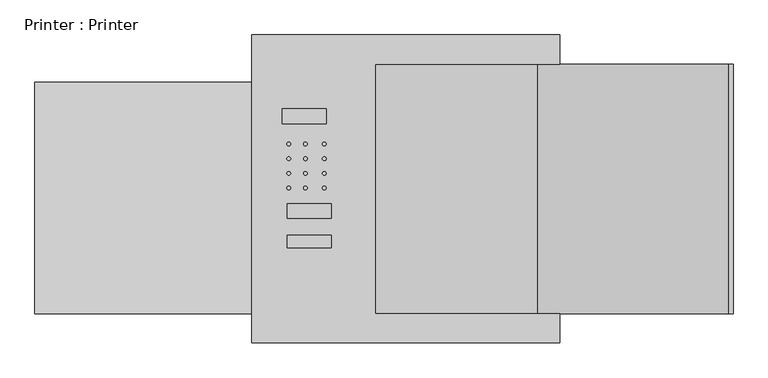
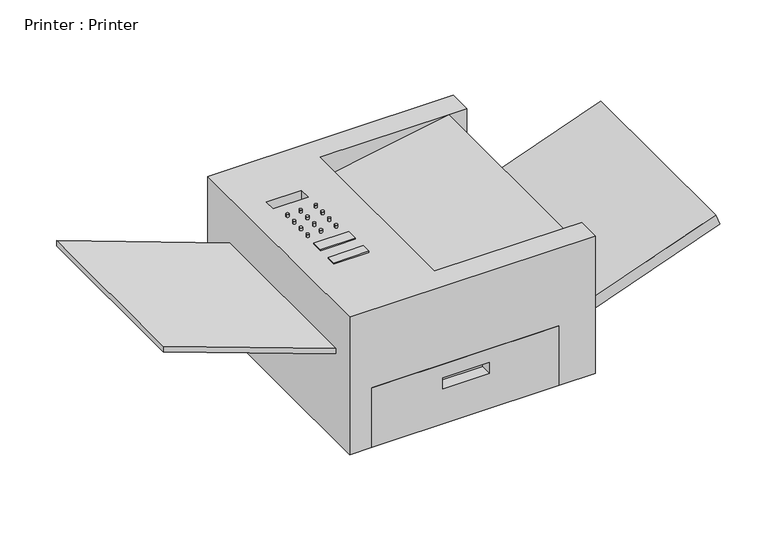
"""IFC4 building model written with IfcOpenShell, lengths in millimetres: electric appliance geometry, Printer : Printer."""

import ifcopenshell
import ifcopenshell.guid

model = None  # the IFC model being written
_history = None  # IfcOwnerHistory: only IFC2X3 demands one
_inside = {}  # id of a spatial element -> (the spatial element, [elements in it])
_under = {}  # id of a project, library or spatial element -> (it, [spatial elements below it])
_declared = {}  # id of a project -> (the project, [libraries it declares])
_typed = {}  # id of a type object -> (the type object, [elements of that type])
_made_of = {}  # id of a material, layer set ... -> (it, [elements and type objects made of it])


def new_model(schema):
    """Start an empty IFC model of exactly this schema.

    Asked for "IFC4X3", IfcOpenShell would pick the latest addendum, in which some entities
    have other attributes; the version numbers below select the first issue.
    IFC2X3 requires an IfcOwnerHistory on every rooted entity: one is made here for all.
    """
    global model, _history
    if schema == "IFC4X3":
        model = ifcopenshell.file(schema_version=(4, 3, 0, 0))
    else:
        model = ifcopenshell.file(schema=schema)
    _inside.clear()
    _under.clear()
    _declared.clear()
    _typed.clear()
    _made_of.clear()
    _history = None
    if model.schema == "IFC2X3":
        org = make("IfcOrganization", Name="unknown")
        user = make(
            "IfcPersonAndOrganization",
            ThePerson=make("IfcPerson", FamilyName="unknown"),
            TheOrganization=org,
        )
        app = make(
            "IfcApplication",
            ApplicationDeveloper=org,
            Version="unknown",
            ApplicationFullName="unknown",
            ApplicationIdentifier="unknown",
        )
        _history = make(
            "IfcOwnerHistory",
            OwningUser=user,
            OwningApplication=app,
            ChangeAction="ADDED",
            CreationDate=0,
        )
    return model


def make(cls, **values):
    """One entity of the class cls with the attributes given. An attribute that is None is left unset."""
    return model.create_entity(
        cls, **{name: value for name, value in values.items() if value is not None}
    )


def rooted(cls, **values):
    """An entity with a GlobalId (a new one), such as an element, a storey or a relation."""
    return make(cls, GlobalId=ifcopenshell.guid.new(), OwnerHistory=_history, **values)


def si_unit(unit_type, name, prefix=None):
    """IfcSIUnit, for example si_unit("LENGTHUNIT", "METRE", prefix="MILLI")."""
    return make("IfcSIUnit", UnitType=unit_type, Prefix=prefix, Name=name)


def assignment(units):
    """IfcUnitAssignment: the units of a project."""
    return None if units is None else make("IfcUnitAssignment", Units=units)


def point(xyz):
    """IfcCartesianPoint."""
    return None if xyz is None else make("IfcCartesianPoint", Coordinates=xyz)


def direction(xyz):
    """IfcDirection."""
    return None if xyz is None else make("IfcDirection", DirectionRatios=xyz)


def frame(location, z_axis=None, x_axis=None):
    """IfcAxis2Placement3D, a coordinate frame: its origin and axes. An axis left out is left unset."""
    return make(
        "IfcAxis2Placement3D",
        Location=point(location),
        Axis=direction(z_axis),
        RefDirection=direction(x_axis),
    )


def frame_2d(location, x_axis=None):
    """IfcAxis2Placement2D, a coordinate frame in the plane: its origin and x axis."""
    return make(
        "IfcAxis2Placement2D", Location=point(location), RefDirection=direction(x_axis)
    )


def origin():
    """The frame at (0, 0, 0) with its axes left unset."""
    return frame((0.0, 0.0, 0.0))


def place(relative_to, where):
    """IfcLocalPlacement: puts the frame where relative to a parent placement (None: the world)."""
    return make(
        "IfcLocalPlacement", PlacementRelTo=relative_to, RelativePlacement=where
    )


def context(
    kind, dimensions, precision=None, world=None, true_north=None, identifier=None
):
    """IfcGeometricRepresentationContext, for example the 3D "Model" context."""
    return make(
        "IfcGeometricRepresentationContext",
        ContextIdentifier=identifier,
        ContextType=kind,
        CoordinateSpaceDimension=dimensions,
        Precision=precision,
        WorldCoordinateSystem=world,
        TrueNorth=true_north,
    )


def project(units=None, contexts=None):
    """IfcProject with its units and contexts."""
    return rooted(
        "IfcProject",
        Name="project",
        RepresentationContexts=contexts,
        UnitsInContext=assignment(units),
    )


def spatial(cls, under=None, at=None, **own):
    """A site, building, storey or space (cls), placed at a placement, below another one or the project."""
    s = rooted(cls, ObjectPlacement=at, **own)
    if under is not None:
        _under.setdefault(under.id(), (under, []))[1].append(s)
    return s


def polyline(points):
    """IfcPolyline through the points."""
    return make("IfcPolyline", Points=[point(p) for p in points])


def circle_curve(where, radius):
    """IfcCircle in the frame where."""
    return make("IfcCircle", Position=where, Radius=radius)


def trimmed(basis, trim1, trim2, sense, master):
    """IfcTrimmedCurve: the piece of a basis curve between two trims."""
    return make(
        "IfcTrimmedCurve",
        BasisCurve=basis,
        Trim1=trim1,
        Trim2=trim2,
        SenseAgreement=sense,
        MasterRepresentation=master,
    )


def segment(curve, same_sense, transition):
    """IfcCompositeCurveSegment."""
    return make(
        "IfcCompositeCurveSegment",
        Transition=transition,
        SameSense=same_sense,
        ParentCurve=curve,
    )


def composite_curve(segments, self_intersect=None):
    """IfcCompositeCurve: segments joined end to end."""
    return make("IfcCompositeCurve", Segments=segments, SelfIntersect=self_intersect)


def outline(outer, holes=None, kind="AREA"):
    """IfcArbitraryClosedProfileDef: a profile drawn as a closed curve; with holes, ...WithVoids."""
    if holes is None:
        return make("IfcArbitraryClosedProfileDef", ProfileType=kind, OuterCurve=outer)
    return make(
        "IfcArbitraryProfileDefWithVoids",
        ProfileType=kind,
        OuterCurve=outer,
        InnerCurves=holes,
    )


def extrude(swept, where, along, depth):
    """IfcExtrudedAreaSolid: the profile swept, set in the frame where, extruded along a direction by depth."""
    return make(
        "IfcExtrudedAreaSolid",
        SweptArea=swept,
        Position=where,
        ExtrudedDirection=direction(along),
        Depth=depth,
    )


def faces_of(points, faces, orient=None, outer=None):
    """IfcFace entities. A face is a list of loops; a loop is a list of indices into points, from 0.

    orient and outer hold one flag for each loop. By default every Orientation is true, the
    first loop of a face is its IfcFaceOuterBound and the others are IfcFaceBound.
    """
    made = []
    for i, loops in enumerate(faces):
        bounds = []
        for j, loop in enumerate(loops):
            is_outer = j == 0 if outer is None else outer[i][j]
            bounds.append(
                make(
                    "IfcFaceOuterBound" if is_outer else "IfcFaceBound",
                    Bound=make("IfcPolyLoop", Polygon=[points[k] for k in loop]),
                    Orientation=True if orient is None else orient[i][j],
                )
            )
        made.append(make("IfcFace", Bounds=bounds))
    return made


def faceted_brep(points, faces, orient=None, outer=None, voids=None):
    """IfcFacetedBrep: a solid bounded by flat faces; with voids (closed shells), ...WithVoids."""
    shared = [point(p) for p in points]
    hull = make("IfcClosedShell", CfsFaces=faces_of(shared, faces, orient, outer))
    if voids is None:
        return make("IfcFacetedBrep", Outer=hull)
    return make(
        "IfcFacetedBrepWithVoids",
        Outer=hull,
        Voids=[
            make(cls, CfsFaces=faces_of(shared, fs, o, b)) for cls, fs, o, b in voids
        ],
    )


def shape(context_of_items, identifier, shape_type, items):
    """IfcShapeRepresentation: the items that make up one representation, for example the "Body"."""
    return make(
        "IfcShapeRepresentation",
        ContextOfItems=context_of_items,
        RepresentationIdentifier=identifier,
        RepresentationType=shape_type,
        Items=items,
    )


def source(mapping_origin, context_of_items, identifier, shape_type, items):
    """IfcRepresentationMap: a shape defined once, which mapped items show again and again."""
    return make(
        "IfcRepresentationMap",
        MappingOrigin=mapping_origin,
        MappedRepresentation=shape(context_of_items, identifier, shape_type, items),
    )


def transform(
    local_origin,
    x_axis=None,
    y_axis=None,
    z_axis=None,
    scale=None,
    scale2=None,
    scale3=None,
    uniform=True,
):
    """IfcCartesianTransformationOperator3D, or its non-uniform kind. x_axis, y_axis, z_axis: its Axis1, 2, 3."""
    if uniform:
        return make(
            "IfcCartesianTransformationOperator3D",
            Axis1=direction(x_axis),
            Axis2=direction(y_axis),
            LocalOrigin=point(local_origin),
            Scale=scale,
            Axis3=direction(z_axis),
        )
    return make(
        "IfcCartesianTransformationOperator3DnonUniform",
        Axis1=direction(x_axis),
        Axis2=direction(y_axis),
        LocalOrigin=point(local_origin),
        Scale=scale,
        Axis3=direction(z_axis),
        Scale2=scale2,
        Scale3=scale3,
    )


def mapped(mapping_source, mapping_target):
    """IfcMappedItem: shows the shape of a source again, moved by a transform."""
    return make(
        "IfcMappedItem", MappingSource=mapping_source, MappingTarget=mapping_target
    )


def made_of(thing, what):
    """Note that an element or type object is made of a material, layer set ...; save() writes the relation."""
    if what is not None:
        _made_of.setdefault(what.id(), (what, []))[1].append(thing)
    return thing


def element(
    cls,
    number,
    at=None,
    inside=None,
    cuts=None,
    type_object=None,
    material=None,
    context=None,
    identifier="Body",
    shape_type=None,
    held_by="IfcProductDefinitionShape",
    body=None,
    shapes=None,
    **own,
):
    """One element of the class cls, such as IfcWall. Its Tag is "e" and its number.

    at: its placement. inside: the storey or other place that contains it. cuts: it is an
    opening in that element (IfcRelVoidsElement). A single representation is given by context,
    identifier, shape_type and body (its items); several are given by shapes. held_by: the class
    of the entity that holds the representations. save() writes the other relations.
    """
    e = rooted(cls, Tag="e%d" % number, ObjectPlacement=at, **own)
    if body is not None:
        shapes = [shape(context, identifier, shape_type, body)]
    if shapes is not None:
        e.Representation = make(held_by, Representations=shapes)
    if inside is not None:
        _inside.setdefault(inside.id(), (inside, []))[1].append(e)
    if cuts is not None:
        rooted(
            "IfcRelVoidsElement", RelatingBuildingElement=cuts, RelatedOpeningElement=e
        )
    if type_object is not None:
        _typed.setdefault(type_object.id(), (type_object, []))[1].append(e)
    return made_of(e, material)


def aggregate(whole, parts):
    """IfcRelAggregates: a whole, such as a stair, and the parts it consists of."""
    return rooted("IfcRelAggregates", RelatingObject=whole, RelatedObjects=parts)


def save(model, path):
    """Write the relations noted so far, then the file.

    IfcRelAggregates (storeys below a building ...), IfcRelContainedInSpatialStructure (elements
    in a storey), IfcRelDefinesByType, IfcRelAssociatesMaterial and IfcRelDeclares: one each for
    every whole, place, type object, material and project.
    """
    for whole, parts in _under.values():
        aggregate(whole, parts)
    for where, things in _inside.values():
        rooted(
            "IfcRelContainedInSpatialStructure",
            RelatedElements=things,
            RelatingStructure=where,
        )
    for kind, things in _typed.values():
        rooted("IfcRelDefinesByType", RelatedObjects=things, RelatingType=kind)
    for what, things in _made_of.values():
        rooted("IfcRelAssociatesMaterial", RelatedObjects=things, RelatingMaterial=what)
    for by, libraries in _declared.values():
        rooted("IfcRelDeclares", RelatingContext=by, RelatedDefinitions=libraries)
    model.write(path)


def printer_printer_bf935110(model_context):
    return source(origin(), model_context, "Body", "SolidModel", [
        extrude(outline(polyline([(-131.7681273, -1.399751), (-131.7681273, -26.1310532), (-207.9681273, -26.1310532), (-207.9681273, -1.399751), (-131.7681273, -1.399751)])), frame((0.0, 0.0, 316.7670645), z_axis=(0.0, 0.0, 1.0), x_axis=(1.0, 0.0, 0.0)), (0.0, 0.0, 1.0), 3.175),
        extrude(outline(polyline([(-131.7681273, -55.8798743), (-131.7681273, -76.9310532), (-207.9681273, -76.9310532), (-207.9681273, -55.8798743), (-131.7681273, -55.8798743)])), frame((0.0, 0.0, 316.7670645), z_axis=(0.0, 0.0, 1.0), x_axis=(1.0, 0.0, 0.0)), (0.0, 0.0, 1.0), 3.175),
        extrude(outline(composite_curve([segment(trimmed(circle_curve(frame_2d((-143.5160855, 26.0740849)), 3.175), [point((-140.3410855, 26.0740849))], [point((-146.6910855, 26.0740849))], False, "CARTESIAN"), True, "CONTINUOUS"), segment(trimmed(circle_curve(frame_2d((-143.5160855, 26.0740849)), 3.175), [point((-146.6910855, 26.0740849))], [point((-140.3410855, 26.0740849))], False, "CARTESIAN"), True, "CONTINUOUS")], self_intersect=False)), frame((0.0, 0.0, 316.7670645), z_axis=(0.0, 0.0, 1.0), x_axis=(1.0, 0.0, 0.0)), (0.0, 0.0, 1.0), 6.35),
        extrude(outline(composite_curve([segment(trimmed(circle_curve(frame_2d((-176.2876259, 26.0740849)), 3.175), [point((-173.1126259, 26.0740849))], [point((-179.4626259, 26.0740849))], False, "CARTESIAN"), True, "CONTINUOUS"), segment(trimmed(circle_curve(frame_2d((-176.2876259, 26.0740849)), 3.175), [point((-179.4626259, 26.0740849))], [point((-173.1126259, 26.0740849))], False, "CARTESIAN"), True, "CONTINUOUS")], self_intersect=False)), frame((0.0, 0.0, 316.7670645), z_axis=(0.0, 0.0, 1.0), x_axis=(1.0, 0.0, 0.0)), (0.0, 0.0, 1.0), 6.35),
        extrude(outline(composite_curve([segment(trimmed(circle_curve(frame_2d((-205.0587743, 26.0740849)), 3.175), [point((-201.8837743, 26.0740849))], [point((-208.2337743, 26.0740849))], False, "CARTESIAN"), True, "CONTINUOUS"), segment(trimmed(circle_curve(frame_2d((-205.0587743, 26.0740849)), 3.175), [point((-208.2337743, 26.0740849))], [point((-201.8837743, 26.0740849))], False, "CARTESIAN"), True, "CONTINUOUS")], self_intersect=False)), frame((0.0, 0.0, 316.7670645), z_axis=(0.0, 0.0, 1.0), x_axis=(1.0, 0.0, 0.0)), (0.0, 0.0, 1.0), 6.35),
        extrude(outline(composite_curve([segment(trimmed(circle_curve(frame_2d((-143.5160855, 51.4740849)), 3.175), [point((-140.3410855, 51.4740849))], [point((-146.6910855, 51.4740849))], False, "CARTESIAN"), True, "CONTINUOUS"), segment(trimmed(circle_curve(frame_2d((-143.5160855, 51.4740849)), 3.175), [point((-146.6910855, 51.4740849))], [point((-140.3410855, 51.4740849))], False, "CARTESIAN"), True, "CONTINUOUS")], self_intersect=False)), frame((0.0, 0.0, 316.7670645), z_axis=(0.0, 0.0, 1.0), x_axis=(1.0, 0.0, 0.0)), (0.0, 0.0, 1.0), 6.35),
        extrude(outline(composite_curve([segment(trimmed(circle_curve(frame_2d((-176.2876259, 51.4740849)), 3.175), [point((-173.1126259, 51.4740849))], [point((-179.4626259, 51.4740849))], False, "CARTESIAN"), True, "CONTINUOUS"), segment(trimmed(circle_curve(frame_2d((-176.2876259, 51.4740849)), 3.175), [point((-179.4626259, 51.4740849))], [point((-173.1126259, 51.4740849))], False, "CARTESIAN"), True, "CONTINUOUS")], self_intersect=False)), frame((0.0, 0.0, 316.7670645), z_axis=(0.0, 0.0, 1.0), x_axis=(1.0, 0.0, 0.0)), (0.0, 0.0, 1.0), 6.35),
        extrude(outline(composite_curve([segment(trimmed(circle_curve(frame_2d((-205.0587743, 51.4740849)), 3.175), [point((-201.8837743, 51.4740849))], [point((-208.2337743, 51.4740849))], False, "CARTESIAN"), True, "CONTINUOUS"), segment(trimmed(circle_curve(frame_2d((-205.0587743, 51.4740849)), 3.175), [point((-208.2337743, 51.4740849))], [point((-201.8837743, 51.4740849))], False, "CARTESIAN"), True, "CONTINUOUS")], self_intersect=False)), frame((0.0, 0.0, 316.7670645), z_axis=(0.0, 0.0, 1.0), x_axis=(1.0, 0.0, 0.0)), (0.0, 0.0, 1.0), 6.35),
        extrude(outline(composite_curve([segment(trimmed(circle_curve(frame_2d((-143.5160855, 76.8740849)), 3.175), [point((-140.3410855, 76.8740849))], [point((-146.6910855, 76.8740849))], False, "CARTESIAN"), True, "CONTINUOUS"), segment(trimmed(circle_curve(frame_2d((-143.5160855, 76.8740849)), 3.175), [point((-146.6910855, 76.8740849))], [point((-140.3410855, 76.8740849))], False, "CARTESIAN"), True, "CONTINUOUS")], self_intersect=False)), frame((0.0, 0.0, 316.7670645), z_axis=(0.0, 0.0, 1.0), x_axis=(1.0, 0.0, 0.0)), (0.0, 0.0, 1.0), 6.35),
        extrude(outline(composite_curve([segment(trimmed(circle_curve(frame_2d((-176.2876259, 76.8740849)), 3.175), [point((-173.1126259, 76.8740849))], [point((-179.4626259, 76.8740849))], False, "CARTESIAN"), True, "CONTINUOUS"), segment(trimmed(circle_curve(frame_2d((-176.2876259, 76.8740849)), 3.175), [point((-179.4626259, 76.8740849))], [point((-173.1126259, 76.8740849))], False, "CARTESIAN"), True, "CONTINUOUS")], self_intersect=False)), frame((0.0, 0.0, 316.7670645), z_axis=(0.0, 0.0, 1.0), x_axis=(1.0, 0.0, 0.0)), (0.0, 0.0, 1.0), 6.35),
        extrude(outline(composite_curve([segment(trimmed(circle_curve(frame_2d((-205.0587743, 76.8740849)), 3.175), [point((-201.8837743, 76.8740849))], [point((-208.2337743, 76.8740849))], False, "CARTESIAN"), True, "CONTINUOUS"), segment(trimmed(circle_curve(frame_2d((-205.0587743, 76.8740849)), 3.175), [point((-208.2337743, 76.8740849))], [point((-201.8837743, 76.8740849))], False, "CARTESIAN"), True, "CONTINUOUS")], self_intersect=False)), frame((0.0, 0.0, 316.7670645), z_axis=(0.0, 0.0, 1.0), x_axis=(1.0, 0.0, 0.0)), (0.0, 0.0, 1.0), 6.35),
        extrude(outline(composite_curve([segment(trimmed(circle_curve(frame_2d((-143.5160855, 102.2740849)), 3.175), [point((-140.3410855, 102.2740849))], [point((-146.6910855, 102.2740849))], False, "CARTESIAN"), True, "CONTINUOUS"), segment(trimmed(circle_curve(frame_2d((-143.5160855, 102.2740849)), 3.175), [point((-146.6910855, 102.2740849))], [point((-140.3410855, 102.2740849))], False, "CARTESIAN"), True, "CONTINUOUS")], self_intersect=False)), frame((0.0, 0.0, 316.7670645), z_axis=(0.0, 0.0, 1.0), x_axis=(1.0, 0.0, 0.0)), (0.0, 0.0, 1.0), 6.35),
        extrude(outline(composite_curve([segment(trimmed(circle_curve(frame_2d((-176.2876259, 102.2740849)), 3.175), [point((-173.1126259, 102.2740849))], [point((-179.4626259, 102.2740849))], False, "CARTESIAN"), True, "CONTINUOUS"), segment(trimmed(circle_curve(frame_2d((-176.2876259, 102.2740849)), 3.175), [point((-179.4626259, 102.2740849))], [point((-173.1126259, 102.2740849))], False, "CARTESIAN"), True, "CONTINUOUS")], self_intersect=False)), frame((0.0, 0.0, 316.7670645), z_axis=(0.0, 0.0, 1.0), x_axis=(1.0, 0.0, 0.0)), (0.0, 0.0, 1.0), 6.35),
        extrude(outline(composite_curve([segment(trimmed(circle_curve(frame_2d((-205.0587743, 102.2740849)), 3.175), [point((-201.8837743, 102.2740849))], [point((-208.2337743, 102.2740849))], False, "CARTESIAN"), True, "CONTINUOUS"), segment(trimmed(circle_curve(frame_2d((-205.0587743, 102.2740849)), 3.175), [point((-208.2337743, 102.2740849))], [point((-201.8837743, 102.2740849))], False, "CARTESIAN"), True, "CONTINUOUS")], self_intersect=False)), frame((0.0, 0.0, 316.7670645), z_axis=(0.0, 0.0, 1.0), x_axis=(1.0, 0.0, 0.0)), (0.0, 0.0, 1.0), 6.35),
        extrude(outline(polyline([(208.1616982, 564.6439581), (232.0298908, 555.9566464), (111.7119202, 225.3857392), (84.6818048, 225.3857392), (208.1616982, 564.6439581)])), frame((0.0, -191.2310532, 0.0), z_axis=(0.0, 1.0, 0.0), x_axis=(0.0, 0.0, 1.0)), (0.0, 0.0, 1.0), 431.8),
        extrude(outline(polyline([(337.4813568, -644.762834), (200.6659009, -268.8654582), (213.5161447, -268.8654582), (350.3316007, -644.762834), (337.4813568, -644.762834)])), frame((0.0, -191.2310532, 0.0), z_axis=(0.0, 1.0, 0.0), x_axis=(0.0, 0.0, 1.0)), (0.0, 0.0, 1.0), 400.9115472),
        faceted_brep([(185.814028, -242.0310532, 0.0), (185.814028, -242.0310532, 137.2446273), (-220.585972, -242.0310532, 137.2446273), (-220.585972, -242.0310532, 0.0), (-66.7741493, -242.0310532, 106.503772), (34.8258507, -242.0310532, 106.503772), (34.8258507, -242.0310532, 81.103772), (-66.7741493, -242.0310532, 81.103772), (185.814028, -191.2310532, 0.0), (-220.585972, -191.2310532, 0.0), (-220.585972, -191.2310532, 137.2446273), (185.814028, -191.2310532, 137.2446273), (34.8258507, -216.6310532, 106.503772), (-66.7741493, -216.6310532, 106.503772), (-66.7741493, -216.6310532, 81.103772), (34.8258507, -216.6310532, 81.103772)], [[[0, 1, 2, 3], [4, 5, 6, 7]], [[8, 9, 10, 11]], [[1, 0, 8, 11]], [[2, 1, 11, 10]], [[3, 2, 10, 9]], [[0, 3, 9, 8]], [[12, 13, 14, 15]], [[13, 12, 5, 4]], [[14, 13, 4, 7]], [[15, 14, 7, 6]], [[12, 15, 6, 5]]]),
        faceted_brep([(264.5345418, 291.3689468, 316.7670645), (-268.8654582, 291.3689468, 316.7670645), (-268.8654582, -242.0310532, 316.7670645), (264.5345418, -242.0310532, 316.7670645), (264.5345418, -191.2310532, 316.7670645), (225.3857392, -191.2310532, 316.7670645), (-55.5681273, -191.2310532, 316.7670645), (-55.5681273, 240.5689468, 316.7670645), (225.3857392, 240.5689468, 316.7670645), (264.5345418, 240.5689468, 316.7670645), (-215.9131453, 163.1756215, 316.7670645), (-139.7131453, 163.1756215, 316.7670645), (-139.7131453, 137.7756215, 316.7670645), (-215.9131453, 137.7756215, 316.7670645), (264.5345418, 291.3689468, 0.0), (264.5345418, -242.0310532, 0.0), (185.814028, -242.0310532, 0.0), (185.814028, -191.2310532, 0.0), (-220.585972, -191.2310532, 0.0), (-220.585972, -242.0310532, 0.0), (-268.8654582, -242.0310532, 0.0), (-268.8654582, 291.3689468, 0.0), (-220.585972, -242.0310532, 137.2446273), (185.814028, -242.0310532, 137.2446273), (264.5345418, 240.5689468, 83.4813568), (264.5345418, -191.2310532, 83.4813568), (-220.585972, -191.2310532, 137.2446273), (185.814028, -191.2310532, 137.2446273), (225.3857392, -191.2310532, 83.4813568), (225.3857392, 240.5689468, 83.4813568), (-139.7131453, 163.1756215, 291.3670645), (-215.9131453, 163.1756215, 291.3670645), (-215.9131453, 137.7756215, 291.3670645), (-139.7131453, 137.7756215, 291.3670645), (-55.5681273, -191.2310532, 265.9670645), (-55.5681273, 240.5689468, 265.9670645)], [[[0, 1, 2, 3, 4, 5, 6, 7, 8, 9], [10, 11, 12, 13]], [[14, 15, 16, 17, 18, 19, 20, 21]], [[1, 0, 14, 21]], [[2, 1, 21, 20]], [[3, 2, 20, 19, 22, 23, 16, 15]], [[15, 14, 0, 9, 24, 25, 4, 3]], [[26, 18, 17, 27]], [[18, 26, 22, 19]], [[27, 17, 16, 23]], [[26, 27, 23, 22]], [[28, 29, 8, 5]], [[25, 28, 5, 4]], [[29, 28, 25, 24]], [[29, 24, 9, 8]], [[30, 31, 32, 33]], [[31, 30, 11, 10]], [[32, 31, 10, 13]], [[33, 32, 13, 12]], [[30, 33, 12, 11]], [[34, 6, 5]], [[35, 8, 7]], [[34, 5, 8, 35]], [[6, 34, 35, 7]]]),
    ])


if __name__ == "__main__":
    model = new_model("IFC4")
    model_context = context("Model", 3, world=origin())
    ifc_project = project(units=[si_unit("LENGTHUNIT", "METRE", prefix="MILLI")], contexts=[model_context])
    site = spatial("IfcSite", under=ifc_project)
    building = spatial("IfcBuilding", under=site)
    placement = place(None, origin())
    printer_printer_shape = printer_printer_bf935110(model_context)
    element("IfcElectricAppliance", 1, ObjectType="Printer : Printer", at=placement, inside=building, context=model_context, shape_type="MappedRepresentation", body=[
        mapped(printer_printer_shape, transform((0.0, 0.0, 0.0), x_axis=(1.0, 0.0, 0.0), y_axis=(0.0, 1.0, 0.0), z_axis=(0.0, 0.0, 1.0))),
    ])
    save(model, "model.ifc")
